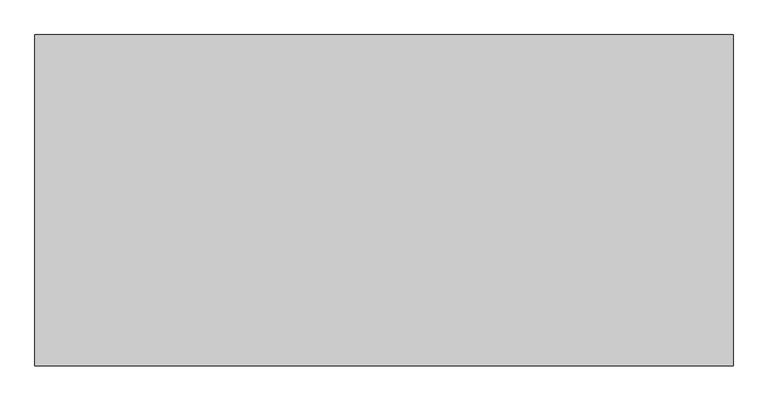
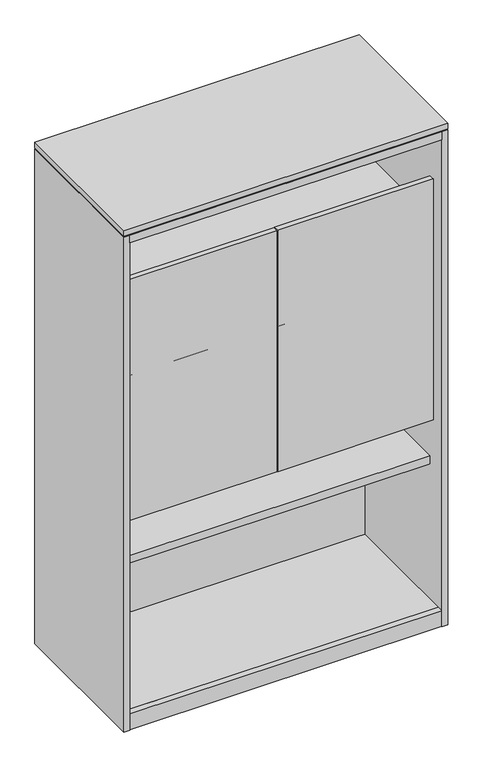
"""IFC4 building model written with IfcOpenShell, lengths in millimetres: furniture geometry."""

from ifc_helpers import new_model, si_unit, frame, origin, origin_with_axes, place, context, project, spatial, polyline, outline, extrude, source, transform, mapped, element, save


def furniture_b7bb7d50(model_context):
    return source(origin(), model_context, "Body", "SweptSolid", [
        extrude(outline(polyline([(530.6695, -455.62012), (20.01012, -455.62012), (20.01012, -438.26938), (530.6695, -438.26938), (530.6695, -455.62012)])), frame((0.0, 0.0, 690.7657), z_axis=(0.0, 0.0, 1.0), x_axis=(1.0, 0.0, 0.0)), (0.0, 0.0, 1.0), 835.9775),
        extrude(outline(polyline([(1043.61488, -455.62012), (532.9555, -455.62012), (532.9555, -438.26938), (1043.61488, -438.26938), (1043.61488, -455.62012)])), frame((0.0, 0.0, 690.7657), z_axis=(0.0, 0.0, 1.0), x_axis=(1.0, 0.0, 0.0)), (0.0, 0.0, 1.0), 835.9775),
        extrude(outline(polyline([(1043.61488, -455.62012), (20.01012, -455.62012), (20.01012, -438.26938), (1043.61488, -438.26938), (1043.61488, -455.62012)])), frame((0.0, 0.0, 1054.9636), z_axis=(0.0, 0.0, 1.0), x_axis=(1.0, 0.0, 0.0)), (0.0, 0.0, 1.0), 139.192),
        extrude(outline(polyline([(1043.61488, -66.55562), (20.01012, -66.55562), (20.01012, -49.20488), (1043.61488, -49.20488), (1043.61488, -66.55562)])), frame((0.0, 0.0, 1387.5512), z_axis=(0.0, 0.0, 1.0), x_axis=(1.0, 0.0, 0.0)), (0.0, 0.0, 1.0), 139.192),
        extrude(outline(polyline([(1043.61488, -438.26938), (20.01012, -438.26938), (20.01012, -66.55562), (1043.61488, -66.55562), (1043.61488, -438.26938)])), frame((0.0, 0.0, 1359.11336), z_axis=(0.0, 0.0, 1.0), x_axis=(1.0, 0.0, 0.0)), (0.0, 0.0, 1.0), 28.43784),
        extrude(outline(polyline([(1043.61488, -438.26938), (20.01012, -438.26938), (20.01012, -66.55562), (1043.61488, -66.55562), (1043.61488, -438.26938)])), frame((0.0, 0.0, 1026.52576), z_axis=(0.0, 0.0, 1.0), x_axis=(1.0, 0.0, 0.0)), (0.0, 0.0, 1.0), 28.43784),
        extrude(outline(polyline([(1043.61488, -66.55562), (20.01012, -66.55562), (20.01012, -49.20488), (1043.61488, -49.20488), (1043.61488, -66.55562)])), frame((0.0, 0.0, 58.7502), z_axis=(0.0, 0.0, 1.0), x_axis=(1.0, 0.0, 0.0)), (0.0, 0.0, 1.0), 467.89594),
        extrude(outline(polyline([(1043.61488, -438.26938), (20.01012, -438.26938), (20.01012, -66.55562), (1043.61488, -66.55562), (1043.61488, -438.26938)])), frame((0.0, 0.0, 529.16328), z_axis=(0.0, 0.0, 1.0), x_axis=(1.0, 0.0, 0.0)), (0.0, 0.0, 1.0), 26.92146),
        extrude(outline(polyline([(1043.61488, -438.26938), (20.01012, -438.26938), (20.01012, -66.55562), (1043.61488, -66.55562), (1043.61488, -438.26938)])), frame((0.0, 0.0, 690.7657), z_axis=(0.0, 0.0, 1.0), x_axis=(1.0, 0.0, 0.0)), (0.0, 0.0, 1.0), 31.6103),
        extrude(outline(polyline([(1043.61488, -66.55562), (20.01012, -66.55562), (20.01012, -49.20488), (1043.61488, -49.20488), (1043.61488, -66.55562)])), frame((0.0, 0.0, 722.376), z_axis=(0.0, 0.0, 1.0), x_axis=(1.0, 0.0, 0.0)), (0.0, 0.0, 1.0), 139.192),
        extrude(outline(polyline([(1043.61488, -504.825), (20.01012, -504.825), (20.01012, -2.54), (1043.61488, -2.54), (1043.61488, -504.825)])), frame((0.0, 0.0, 1693.2148), z_axis=(0.0, 0.0, 1.0), x_axis=(1.0, 0.0, 0.0)), (0.0, 0.0, 1.0), 26.924),
        extrude(outline(polyline([(1043.61488, -483.9335), (1043.61488, -503.2375), (20.01012, -503.2375), (20.01012, -483.9335), (1043.61488, -483.9335)])), frame((0.0, 0.0, 3.5814), z_axis=(0.0, 0.0, 1.0), x_axis=(1.0, 0.0, 0.0)), (0.0, 0.0, 1.0), 55.1688),
        extrude(outline(polyline([(44.5897, -26.1874), (60.2488, -35.2281856), (60.2488, -53.3097568), (44.5897, -62.3505424), (28.9306, -53.3097568), (28.9306, -35.2281856), (44.5897, -26.1874)])), origin_with_axes(), (0.0, 0.0, 1.0), 8.4328),
        extrude(outline(polyline([(44.5897, -478.6376), (28.9306, -469.5968144), (28.9306, -451.5152432), (44.5897, -442.4744576), (60.2488, -451.5152432), (60.2488, -469.5968144), (44.5897, -478.6376)])), origin_with_axes(), (0.0, 0.0, 1.0), 8.4328),
        extrude(outline(polyline([(1019.0353, -26.1874), (1034.6944, -35.2281856), (1034.6944, -53.3097568), (1019.0353, -62.3505424), (1003.3762, -53.3097568), (1003.3762, -35.2281856), (1019.0353, -26.1874)])), origin_with_axes(), (0.0, 0.0, 1.0), 8.4328),
        extrude(outline(polyline([(1019.0353, -478.6376), (1003.3762, -469.5968144), (1003.3762, -451.5152432), (1019.0353, -442.4744576), (1034.6944, -451.5152432), (1034.6944, -469.5968144), (1019.0353, -478.6376)])), origin_with_axes(), (0.0, 0.0, 1.0), 8.4328),
        extrude(outline(polyline([(1063.625, -504.825), (0.0, -504.825), (0.0, 0.0), (1063.625, 0.0), (1063.625, -504.825)])), frame((0.0, 0.0, 1723.6948), z_axis=(0.0, 0.0, 1.0), x_axis=(1.0, 0.0, 0.0)), (0.0, 0.0, 1.0), 19.304),
        extrude(outline(polyline([(1043.61488, 0.0), (1043.61488, -483.9335), (21.59762, -483.9335), (21.59762, 0.0), (1043.61488, 0.0)])), frame((0.0, 0.0, 3.5814), z_axis=(0.0, 0.0, 1.0), x_axis=(1.0, 0.0, 0.0)), (0.0, 0.0, 1.0), 55.1688),
        extrude(outline(polyline([(20.01012, -504.825), (0.0, -504.825), (0.0, 0.0), (20.01012, 0.0), (20.01012, -504.825)])), frame((0.0, 0.0, 3.5814), z_axis=(0.0, 0.0, 1.0), x_axis=(1.0, 0.0, 0.0)), (0.0, 0.0, 1.0), 1716.5574),
        extrude(outline(polyline([(1063.625, -504.825), (1043.61488, -504.825), (1043.61488, 0.0), (1063.625, 0.0), (1063.625, -504.825)])), frame((0.0, 0.0, 3.5814), z_axis=(0.0, 0.0, 1.0), x_axis=(1.0, 0.0, 0.0)), (0.0, 0.0, 1.0), 1716.5574),
    ])


if __name__ == "__main__":
    model = new_model("IFC4")
    model_context = context("Model", 3, world=origin())
    ifc_project = project(units=[si_unit("LENGTHUNIT", "METRE", prefix="MILLI")], contexts=[model_context])
    site = spatial("IfcSite", under=ifc_project)
    building = spatial("IfcBuilding", under=site)
    placement = place(None, origin())
    furniture_shape = furniture_b7bb7d50(model_context)
    element("IfcFurniture", 1, at=placement, inside=building, context=model_context, shape_type="MappedRepresentation", body=[
        mapped(furniture_shape, transform((0.0, 0.0, 0.0), x_axis=(1.0, 0.0, 0.0), y_axis=(0.0, 1.0, 0.0), z_axis=(0.0, 0.0, 1.0))),
    ])
    save(model, "model.ifc")
